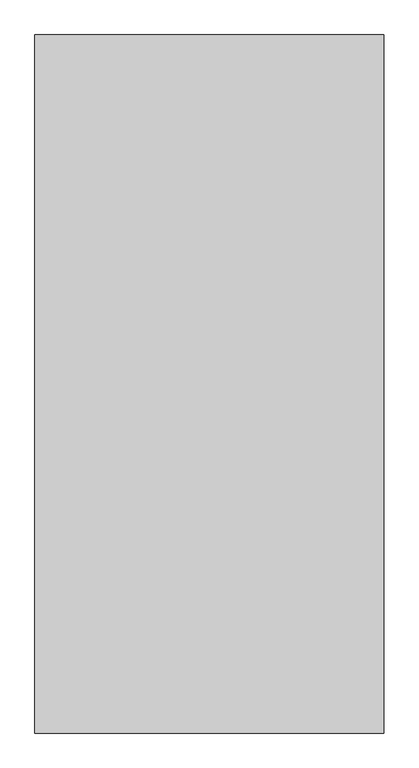
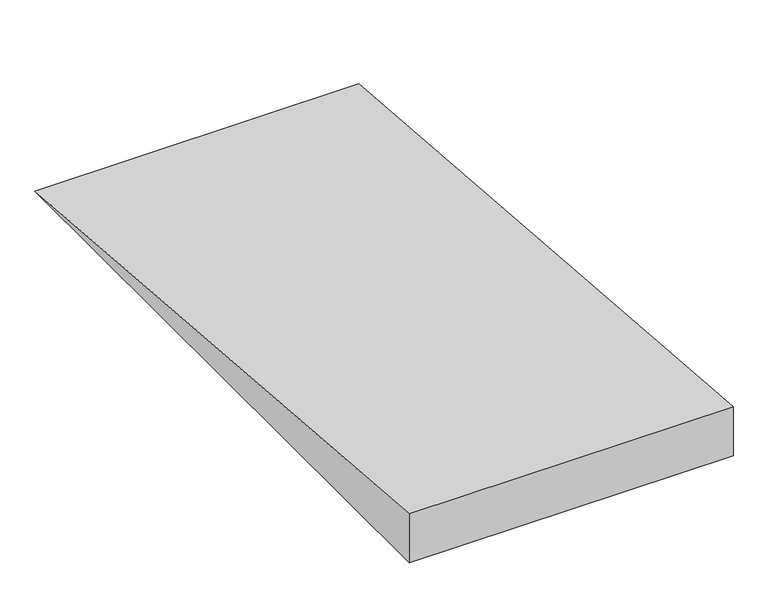
"""IFC4 building model written with IfcOpenShell, lengths in millimetres: ramp geometry."""

import ifcopenshell
import ifcopenshell.guid

model = None  # the IFC model being written
_history = None  # IfcOwnerHistory: only IFC2X3 demands one
_inside = {}  # id of a spatial element -> (the spatial element, [elements in it])
_under = {}  # id of a project, library or spatial element -> (it, [spatial elements below it])
_declared = {}  # id of a project -> (the project, [libraries it declares])
_typed = {}  # id of a type object -> (the type object, [elements of that type])
_made_of = {}  # id of a material, layer set ... -> (it, [elements and type objects made of it])


def new_model(schema):
    """Start an empty IFC model of exactly this schema.

    Asked for "IFC4X3", IfcOpenShell would pick the latest addendum, in which some entities
    have other attributes; the version numbers below select the first issue.
    IFC2X3 requires an IfcOwnerHistory on every rooted entity: one is made here for all.
    """
    global model, _history
    if schema == "IFC4X3":
        model = ifcopenshell.file(schema_version=(4, 3, 0, 0))
    else:
        model = ifcopenshell.file(schema=schema)
    _inside.clear()
    _under.clear()
    _declared.clear()
    _typed.clear()
    _made_of.clear()
    _history = None
    if model.schema == "IFC2X3":
        org = make("IfcOrganization", Name="unknown")
        user = make(
            "IfcPersonAndOrganization",
            ThePerson=make("IfcPerson", FamilyName="unknown"),
            TheOrganization=org,
        )
        app = make(
            "IfcApplication",
            ApplicationDeveloper=org,
            Version="unknown",
            ApplicationFullName="unknown",
            ApplicationIdentifier="unknown",
        )
        _history = make(
            "IfcOwnerHistory",
            OwningUser=user,
            OwningApplication=app,
            ChangeAction="ADDED",
            CreationDate=0,
        )
    return model


def make(cls, **values):
    """One entity of the class cls with the attributes given. An attribute that is None is left unset."""
    return model.create_entity(
        cls, **{name: value for name, value in values.items() if value is not None}
    )


def rooted(cls, **values):
    """An entity with a GlobalId (a new one), such as an element, a storey or a relation."""
    return make(cls, GlobalId=ifcopenshell.guid.new(), OwnerHistory=_history, **values)


def si_unit(unit_type, name, prefix=None):
    """IfcSIUnit, for example si_unit("LENGTHUNIT", "METRE", prefix="MILLI")."""
    return make("IfcSIUnit", UnitType=unit_type, Prefix=prefix, Name=name)


def assignment(units):
    """IfcUnitAssignment: the units of a project."""
    return None if units is None else make("IfcUnitAssignment", Units=units)


def point(xyz):
    """IfcCartesianPoint."""
    return None if xyz is None else make("IfcCartesianPoint", Coordinates=xyz)


def direction(xyz):
    """IfcDirection."""
    return None if xyz is None else make("IfcDirection", DirectionRatios=xyz)


def frame(location, z_axis=None, x_axis=None):
    """IfcAxis2Placement3D, a coordinate frame: its origin and axes. An axis left out is left unset."""
    return make(
        "IfcAxis2Placement3D",
        Location=point(location),
        Axis=direction(z_axis),
        RefDirection=direction(x_axis),
    )


def origin():
    """The frame at (0, 0, 0) with its axes left unset."""
    return frame((0.0, 0.0, 0.0))


def place(relative_to, where):
    """IfcLocalPlacement: puts the frame where relative to a parent placement (None: the world)."""
    return make(
        "IfcLocalPlacement", PlacementRelTo=relative_to, RelativePlacement=where
    )


def context(
    kind, dimensions, precision=None, world=None, true_north=None, identifier=None
):
    """IfcGeometricRepresentationContext, for example the 3D "Model" context."""
    return make(
        "IfcGeometricRepresentationContext",
        ContextIdentifier=identifier,
        ContextType=kind,
        CoordinateSpaceDimension=dimensions,
        Precision=precision,
        WorldCoordinateSystem=world,
        TrueNorth=true_north,
    )


def project(units=None, contexts=None):
    """IfcProject with its units and contexts."""
    return rooted(
        "IfcProject",
        Name="project",
        RepresentationContexts=contexts,
        UnitsInContext=assignment(units),
    )


def spatial(cls, under=None, at=None, **own):
    """A site, building, storey or space (cls), placed at a placement, below another one or the project."""
    s = rooted(cls, ObjectPlacement=at, **own)
    if under is not None:
        _under.setdefault(under.id(), (under, []))[1].append(s)
    return s


def polyline(points):
    """IfcPolyline through the points."""
    return make("IfcPolyline", Points=[point(p) for p in points])


def outline(outer, holes=None, kind="AREA"):
    """IfcArbitraryClosedProfileDef: a profile drawn as a closed curve; with holes, ...WithVoids."""
    if holes is None:
        return make("IfcArbitraryClosedProfileDef", ProfileType=kind, OuterCurve=outer)
    return make(
        "IfcArbitraryProfileDefWithVoids",
        ProfileType=kind,
        OuterCurve=outer,
        InnerCurves=holes,
    )


def extrude(swept, where, along, depth):
    """IfcExtrudedAreaSolid: the profile swept, set in the frame where, extruded along a direction by depth."""
    return make(
        "IfcExtrudedAreaSolid",
        SweptArea=swept,
        Position=where,
        ExtrudedDirection=direction(along),
        Depth=depth,
    )


def shape(context_of_items, identifier, shape_type, items):
    """IfcShapeRepresentation: the items that make up one representation, for example the "Body"."""
    return make(
        "IfcShapeRepresentation",
        ContextOfItems=context_of_items,
        RepresentationIdentifier=identifier,
        RepresentationType=shape_type,
        Items=items,
    )


def source(mapping_origin, context_of_items, identifier, shape_type, items):
    """IfcRepresentationMap: a shape defined once, which mapped items show again and again."""
    return make(
        "IfcRepresentationMap",
        MappingOrigin=mapping_origin,
        MappedRepresentation=shape(context_of_items, identifier, shape_type, items),
    )


def transform(
    local_origin,
    x_axis=None,
    y_axis=None,
    z_axis=None,
    scale=None,
    scale2=None,
    scale3=None,
    uniform=True,
):
    """IfcCartesianTransformationOperator3D, or its non-uniform kind. x_axis, y_axis, z_axis: its Axis1, 2, 3."""
    if uniform:
        return make(
            "IfcCartesianTransformationOperator3D",
            Axis1=direction(x_axis),
            Axis2=direction(y_axis),
            LocalOrigin=point(local_origin),
            Scale=scale,
            Axis3=direction(z_axis),
        )
    return make(
        "IfcCartesianTransformationOperator3DnonUniform",
        Axis1=direction(x_axis),
        Axis2=direction(y_axis),
        LocalOrigin=point(local_origin),
        Scale=scale,
        Axis3=direction(z_axis),
        Scale2=scale2,
        Scale3=scale3,
    )


def mapped(mapping_source, mapping_target):
    """IfcMappedItem: shows the shape of a source again, moved by a transform."""
    return make(
        "IfcMappedItem", MappingSource=mapping_source, MappingTarget=mapping_target
    )


def made_of(thing, what):
    """Note that an element or type object is made of a material, layer set ...; save() writes the relation."""
    if what is not None:
        _made_of.setdefault(what.id(), (what, []))[1].append(thing)
    return thing


def element(
    cls,
    number,
    at=None,
    inside=None,
    cuts=None,
    type_object=None,
    material=None,
    context=None,
    identifier="Body",
    shape_type=None,
    held_by="IfcProductDefinitionShape",
    body=None,
    shapes=None,
    **own,
):
    """One element of the class cls, such as IfcWall. Its Tag is "e" and its number.

    at: its placement. inside: the storey or other place that contains it. cuts: it is an
    opening in that element (IfcRelVoidsElement). A single representation is given by context,
    identifier, shape_type and body (its items); several are given by shapes. held_by: the class
    of the entity that holds the representations. save() writes the other relations.
    """
    e = rooted(cls, Tag="e%d" % number, ObjectPlacement=at, **own)
    if body is not None:
        shapes = [shape(context, identifier, shape_type, body)]
    if shapes is not None:
        e.Representation = make(held_by, Representations=shapes)
    if inside is not None:
        _inside.setdefault(inside.id(), (inside, []))[1].append(e)
    if cuts is not None:
        rooted(
            "IfcRelVoidsElement", RelatingBuildingElement=cuts, RelatedOpeningElement=e
        )
    if type_object is not None:
        _typed.setdefault(type_object.id(), (type_object, []))[1].append(e)
    return made_of(e, material)


def aggregate(whole, parts):
    """IfcRelAggregates: a whole, such as a stair, and the parts it consists of."""
    return rooted("IfcRelAggregates", RelatingObject=whole, RelatedObjects=parts)


def save(model, path):
    """Write the relations noted so far, then the file.

    IfcRelAggregates (storeys below a building ...), IfcRelContainedInSpatialStructure (elements
    in a storey), IfcRelDefinesByType, IfcRelAssociatesMaterial and IfcRelDeclares: one each for
    every whole, place, type object, material and project.
    """
    for whole, parts in _under.values():
        aggregate(whole, parts)
    for where, things in _inside.values():
        rooted(
            "IfcRelContainedInSpatialStructure",
            RelatedElements=things,
            RelatingStructure=where,
        )
    for kind, things in _typed.values():
        rooted("IfcRelDefinesByType", RelatedObjects=things, RelatingType=kind)
    for what, things in _made_of.values():
        rooted("IfcRelAssociatesMaterial", RelatedObjects=things, RelatingMaterial=what)
    for by, libraries in _declared.values():
        rooted("IfcRelDeclares", RelatingContext=by, RelatedDefinitions=libraries)
    model.write(path)


def ramp_b76faa44(model_context):
    return source(origin(), model_context, "Body", "SweptSolid", [
        extrude(outline(polyline([(3682.3048278, 160.0), (5682.3048278, 0.0), (3682.3048278, 0.0), (3682.3048278, 160.0)])), frame((-8140.9736267, 0.0, 0.0), z_axis=(1.0, 0.0, 0.0), x_axis=(0.0, 1.0, 0.0)), (0.0, 0.0, 1.0), 1000.0),
    ])


if __name__ == "__main__":
    model = new_model("IFC4")
    model_context = context("Model", 3, world=origin())
    ifc_project = project(units=[si_unit("LENGTHUNIT", "METRE", prefix="MILLI")], contexts=[model_context])
    site = spatial("IfcSite", under=ifc_project)
    building = spatial("IfcBuilding", under=site)
    placement = place(None, origin())
    ramp_shape = ramp_b76faa44(model_context)
    element("IfcRamp", 1, at=placement, inside=building, context=model_context, shape_type="MappedRepresentation", body=[
        mapped(ramp_shape, transform((0.0, 0.0, 0.0), x_axis=(1.0, 0.0, 0.0), y_axis=(0.0, 1.0, 0.0), z_axis=(0.0, 0.0, 1.0))),
    ])
    save(model, "model.ifc")
